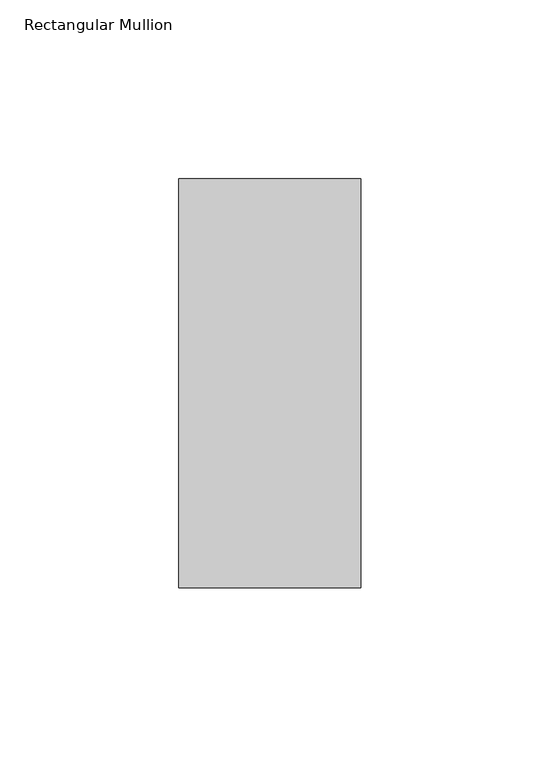
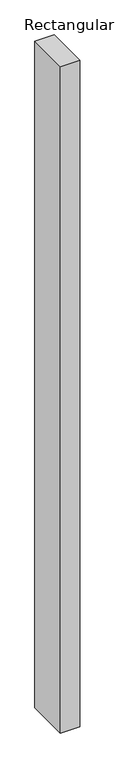
"""IFC4 building model written with IfcOpenShell, lengths in millimetres: member geometry, Rectangular Mullion."""

import ifcopenshell
import ifcopenshell.guid

model = None  # the IFC model being written
_history = None  # IfcOwnerHistory: only IFC2X3 demands one
_inside = {}  # id of a spatial element -> (the spatial element, [elements in it])
_under = {}  # id of a project, library or spatial element -> (it, [spatial elements below it])
_declared = {}  # id of a project -> (the project, [libraries it declares])
_typed = {}  # id of a type object -> (the type object, [elements of that type])
_made_of = {}  # id of a material, layer set ... -> (it, [elements and type objects made of it])


def new_model(schema):
    """Start an empty IFC model of exactly this schema.

    Asked for "IFC4X3", IfcOpenShell would pick the latest addendum, in which some entities
    have other attributes; the version numbers below select the first issue.
    IFC2X3 requires an IfcOwnerHistory on every rooted entity: one is made here for all.
    """
    global model, _history
    if schema == "IFC4X3":
        model = ifcopenshell.file(schema_version=(4, 3, 0, 0))
    else:
        model = ifcopenshell.file(schema=schema)
    _inside.clear()
    _under.clear()
    _declared.clear()
    _typed.clear()
    _made_of.clear()
    _history = None
    if model.schema == "IFC2X3":
        org = make("IfcOrganization", Name="unknown")
        user = make(
            "IfcPersonAndOrganization",
            ThePerson=make("IfcPerson", FamilyName="unknown"),
            TheOrganization=org,
        )
        app = make(
            "IfcApplication",
            ApplicationDeveloper=org,
            Version="unknown",
            ApplicationFullName="unknown",
            ApplicationIdentifier="unknown",
        )
        _history = make(
            "IfcOwnerHistory",
            OwningUser=user,
            OwningApplication=app,
            ChangeAction="ADDED",
            CreationDate=0,
        )
    return model


def make(cls, **values):
    """One entity of the class cls with the attributes given. An attribute that is None is left unset."""
    return model.create_entity(
        cls, **{name: value for name, value in values.items() if value is not None}
    )


def rooted(cls, **values):
    """An entity with a GlobalId (a new one), such as an element, a storey or a relation."""
    return make(cls, GlobalId=ifcopenshell.guid.new(), OwnerHistory=_history, **values)


def si_unit(unit_type, name, prefix=None):
    """IfcSIUnit, for example si_unit("LENGTHUNIT", "METRE", prefix="MILLI")."""
    return make("IfcSIUnit", UnitType=unit_type, Prefix=prefix, Name=name)


def assignment(units):
    """IfcUnitAssignment: the units of a project."""
    return None if units is None else make("IfcUnitAssignment", Units=units)


def point(xyz):
    """IfcCartesianPoint."""
    return None if xyz is None else make("IfcCartesianPoint", Coordinates=xyz)


def direction(xyz):
    """IfcDirection."""
    return None if xyz is None else make("IfcDirection", DirectionRatios=xyz)


def frame(location, z_axis=None, x_axis=None):
    """IfcAxis2Placement3D, a coordinate frame: its origin and axes. An axis left out is left unset."""
    return make(
        "IfcAxis2Placement3D",
        Location=point(location),
        Axis=direction(z_axis),
        RefDirection=direction(x_axis),
    )


def origin():
    """The frame at (0, 0, 0) with its axes left unset."""
    return frame((0.0, 0.0, 0.0))


def place(relative_to, where):
    """IfcLocalPlacement: puts the frame where relative to a parent placement (None: the world)."""
    return make(
        "IfcLocalPlacement", PlacementRelTo=relative_to, RelativePlacement=where
    )


def context(
    kind, dimensions, precision=None, world=None, true_north=None, identifier=None
):
    """IfcGeometricRepresentationContext, for example the 3D "Model" context."""
    return make(
        "IfcGeometricRepresentationContext",
        ContextIdentifier=identifier,
        ContextType=kind,
        CoordinateSpaceDimension=dimensions,
        Precision=precision,
        WorldCoordinateSystem=world,
        TrueNorth=true_north,
    )


def project(units=None, contexts=None):
    """IfcProject with its units and contexts."""
    return rooted(
        "IfcProject",
        Name="project",
        RepresentationContexts=contexts,
        UnitsInContext=assignment(units),
    )


def spatial(cls, under=None, at=None, **own):
    """A site, building, storey or space (cls), placed at a placement, below another one or the project."""
    s = rooted(cls, ObjectPlacement=at, **own)
    if under is not None:
        _under.setdefault(under.id(), (under, []))[1].append(s)
    return s


def polyline(points):
    """IfcPolyline through the points."""
    return make("IfcPolyline", Points=[point(p) for p in points])


def outline(outer, holes=None, kind="AREA"):
    """IfcArbitraryClosedProfileDef: a profile drawn as a closed curve; with holes, ...WithVoids."""
    if holes is None:
        return make("IfcArbitraryClosedProfileDef", ProfileType=kind, OuterCurve=outer)
    return make(
        "IfcArbitraryProfileDefWithVoids",
        ProfileType=kind,
        OuterCurve=outer,
        InnerCurves=holes,
    )


def extrude(swept, where, along, depth):
    """IfcExtrudedAreaSolid: the profile swept, set in the frame where, extruded along a direction by depth."""
    return make(
        "IfcExtrudedAreaSolid",
        SweptArea=swept,
        Position=where,
        ExtrudedDirection=direction(along),
        Depth=depth,
    )


def shape(context_of_items, identifier, shape_type, items):
    """IfcShapeRepresentation: the items that make up one representation, for example the "Body"."""
    return make(
        "IfcShapeRepresentation",
        ContextOfItems=context_of_items,
        RepresentationIdentifier=identifier,
        RepresentationType=shape_type,
        Items=items,
    )


def source(mapping_origin, context_of_items, identifier, shape_type, items):
    """IfcRepresentationMap: a shape defined once, which mapped items show again and again."""
    return make(
        "IfcRepresentationMap",
        MappingOrigin=mapping_origin,
        MappedRepresentation=shape(context_of_items, identifier, shape_type, items),
    )


def transform(
    local_origin,
    x_axis=None,
    y_axis=None,
    z_axis=None,
    scale=None,
    scale2=None,
    scale3=None,
    uniform=True,
):
    """IfcCartesianTransformationOperator3D, or its non-uniform kind. x_axis, y_axis, z_axis: its Axis1, 2, 3."""
    if uniform:
        return make(
            "IfcCartesianTransformationOperator3D",
            Axis1=direction(x_axis),
            Axis2=direction(y_axis),
            LocalOrigin=point(local_origin),
            Scale=scale,
            Axis3=direction(z_axis),
        )
    return make(
        "IfcCartesianTransformationOperator3DnonUniform",
        Axis1=direction(x_axis),
        Axis2=direction(y_axis),
        LocalOrigin=point(local_origin),
        Scale=scale,
        Axis3=direction(z_axis),
        Scale2=scale2,
        Scale3=scale3,
    )


def mapped(mapping_source, mapping_target):
    """IfcMappedItem: shows the shape of a source again, moved by a transform."""
    return make(
        "IfcMappedItem", MappingSource=mapping_source, MappingTarget=mapping_target
    )


def made_of(thing, what):
    """Note that an element or type object is made of a material, layer set ...; save() writes the relation."""
    if what is not None:
        _made_of.setdefault(what.id(), (what, []))[1].append(thing)
    return thing


def element(
    cls,
    number,
    at=None,
    inside=None,
    cuts=None,
    type_object=None,
    material=None,
    context=None,
    identifier="Body",
    shape_type=None,
    held_by="IfcProductDefinitionShape",
    body=None,
    shapes=None,
    **own,
):
    """One element of the class cls, such as IfcWall. Its Tag is "e" and its number.

    at: its placement. inside: the storey or other place that contains it. cuts: it is an
    opening in that element (IfcRelVoidsElement). A single representation is given by context,
    identifier, shape_type and body (its items); several are given by shapes. held_by: the class
    of the entity that holds the representations. save() writes the other relations.
    """
    e = rooted(cls, Tag="e%d" % number, ObjectPlacement=at, **own)
    if body is not None:
        shapes = [shape(context, identifier, shape_type, body)]
    if shapes is not None:
        e.Representation = make(held_by, Representations=shapes)
    if inside is not None:
        _inside.setdefault(inside.id(), (inside, []))[1].append(e)
    if cuts is not None:
        rooted(
            "IfcRelVoidsElement", RelatingBuildingElement=cuts, RelatedOpeningElement=e
        )
    if type_object is not None:
        _typed.setdefault(type_object.id(), (type_object, []))[1].append(e)
    return made_of(e, material)


def aggregate(whole, parts):
    """IfcRelAggregates: a whole, such as a stair, and the parts it consists of."""
    return rooted("IfcRelAggregates", RelatingObject=whole, RelatedObjects=parts)


def save(model, path):
    """Write the relations noted so far, then the file.

    IfcRelAggregates (storeys below a building ...), IfcRelContainedInSpatialStructure (elements
    in a storey), IfcRelDefinesByType, IfcRelAssociatesMaterial and IfcRelDeclares: one each for
    every whole, place, type object, material and project.
    """
    for whole, parts in _under.values():
        aggregate(whole, parts)
    for where, things in _inside.values():
        rooted(
            "IfcRelContainedInSpatialStructure",
            RelatedElements=things,
            RelatingStructure=where,
        )
    for kind, things in _typed.values():
        rooted("IfcRelDefinesByType", RelatedObjects=things, RelatingType=kind)
    for what, things in _made_of.values():
        rooted("IfcRelAssociatesMaterial", RelatedObjects=things, RelatingMaterial=what)
    for by, libraries in _declared.values():
        rooted("IfcRelDeclares", RelatingContext=by, RelatedDefinitions=libraries)
    model.write(path)


def rectangular_mullion_585972e0(model_context):
    return source(origin(), model_context, "Body", "SweptSolid", [
        extrude(outline(polyline([(25.4, 57.15), (25.4, -57.15), (-25.4, -57.15), (-25.4, 57.15), (25.4, 57.15)])), frame((0.0, 0.0, -1828.8), z_axis=(0.0, 0.0, 1.0), x_axis=(1.0, 0.0, 0.0)), (0.0, 0.0, 1.0), 1828.8),
    ])


if __name__ == "__main__":
    model = new_model("IFC4")
    model_context = context("Model", 3, world=origin())
    ifc_project = project(units=[si_unit("LENGTHUNIT", "METRE", prefix="MILLI")], contexts=[model_context])
    site = spatial("IfcSite", under=ifc_project)
    building = spatial("IfcBuilding", under=site)
    placement = place(None, origin())
    rectangular_mullion_shape = rectangular_mullion_585972e0(model_context)
    element("IfcMember", 1, ObjectType="Rectangular Mullion", at=placement, inside=building, context=model_context, shape_type="MappedRepresentation", body=[
        mapped(rectangular_mullion_shape, transform((0.0, 0.0, 0.0), x_axis=(1.0, 0.0, 0.0), y_axis=(0.0, 1.0, 0.0), z_axis=(0.0, 0.0, 1.0))),
    ])
    save(model, "model.ifc")
